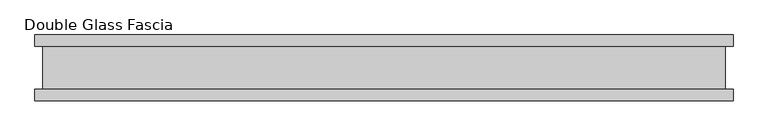
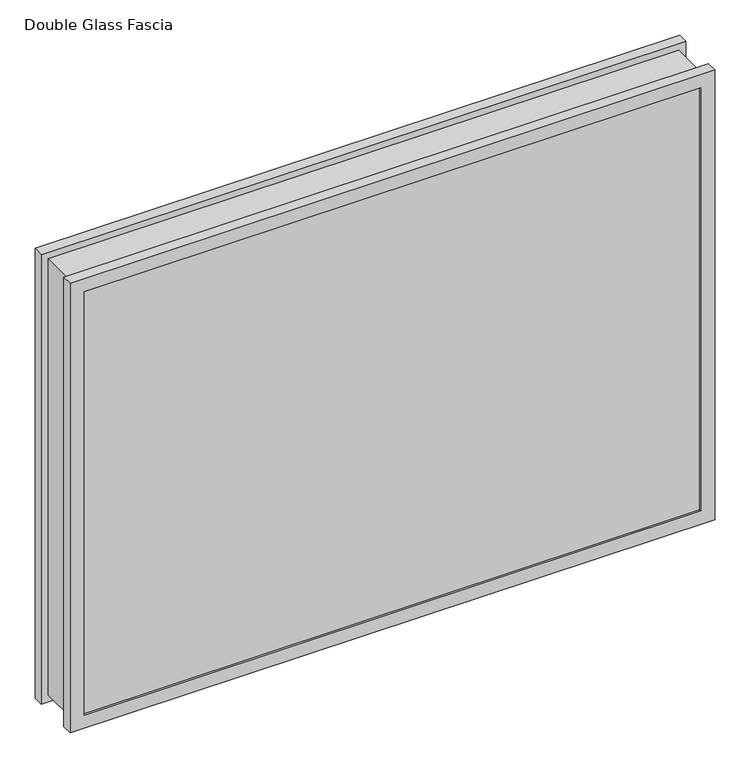
"""IFC4 building model written with IfcOpenShell, lengths in millimetres: proxy geometry, Double Glass Fascia."""

from ifc_helpers import new_model, si_unit, frame, origin, place, context, project, spatial, polyline, outline, extrude, faceted_brep, source, transform, mapped, element, save


def double_glass_fascia_04859f96(model_context):
    return source(origin(), model_context, "Body", "SolidModel", [
        faceted_brep([(519.6640848, -32.4352299, 775.5390849), (519.6640848, -32.4352299, 15.0359151), (519.6640848, 32.4352299, 15.0359151), (519.6640848, 32.4352299, 775.5390849), (-519.6640848, -32.4352299, 15.0359151), (-519.6640848, 32.4352299, 15.0359151), (-519.6640848, -32.4352299, 775.5390849), (-519.6640848, 32.4352299, 775.5390849), (508.4871999, 38.8962152, 764.3622), (508.4871999, 38.8962152, 26.2128), (508.4871999, -38.8962152, 26.2128), (508.4871999, -38.8962152, 764.3622), (525.2218392, 47.1322551, 781.0968392), (525.2218392, 47.1322551, 9.4781608), (525.2218392, 38.8962152, 9.4781608), (525.2218392, 38.8962152, 781.0968392), (508.3093999, 50.0558594, 764.1844), (508.3093999, 50.0558594, 26.3906), (508.3093999, 47.1322551, 26.3906), (508.3093999, 47.1322551, 764.1844), (531.5249999, 32.4352299, 787.4), (531.5249999, 32.4352299, 3.175), (531.5249999, 50.0558594, 3.175), (531.5249999, 50.0558594, 787.4), (-508.4871999, 38.8962152, 26.2128), (-508.4871999, -38.8962152, 26.2128), (-525.2218392, 47.1322551, 9.4781608), (-525.2218392, 38.8962152, 9.4781608), (-508.3093999, 50.0558594, 26.3906), (-508.3093999, 47.1322551, 26.3906), (-531.5249999, 32.4352299, 3.175), (-531.5249999, 50.0558594, 3.175), (-508.4871999, 38.8962152, 764.3622), (-508.4871999, -38.8962152, 764.3622), (-525.2218392, 47.1322551, 781.0968392), (-525.2218392, 38.8962152, 781.0968392), (-508.3093999, 50.0558594, 764.1844), (-508.3093999, 47.1322551, 764.1844), (-531.5249999, 32.4352299, 787.4), (-531.5249999, 50.0558594, 787.4), (531.5249999, -50.0558594, 787.4), (531.5249999, -50.0558594, 3.175), (531.5249999, -32.4352299, 3.175), (531.5249999, -32.4352299, 787.4), (508.4871999, -47.1322551, 764.3622), (508.4871999, -47.1322551, 26.2128), (508.4871999, -50.0558594, 26.2128), (508.4871999, -50.0558594, 764.3622), (525.2218392, -38.8962152, 781.0968392), (525.2218392, -38.8962152, 9.4781608), (525.2218392, -47.1322551, 9.4781608), (525.2218392, -47.1322551, 781.0968392), (-531.5249999, -50.0558594, 3.175), (-531.5249999, -32.4352299, 3.175), (-508.4871999, -47.1322551, 26.2128), (-508.4871999, -50.0558594, 26.2128), (-525.2218392, -38.8962152, 9.4781608), (-525.2218392, -47.1322551, 9.4781608), (-531.5249999, -50.0558594, 787.4), (-531.5249999, -32.4352299, 787.4), (-508.4871999, -47.1322551, 764.3622), (-508.4871999, -50.0558594, 764.3622), (-525.2218392, -38.8962152, 781.0968392), (-525.2218392, -47.1322551, 781.0968392)], [[[0, 1, 2, 3]], [[1, 4, 5, 2]], [[4, 6, 7, 5]], [[6, 0, 3, 7]], [[8, 9, 10, 11]], [[12, 13, 14, 15]], [[16, 17, 18, 19]], [[20, 21, 22, 23]], [[9, 24, 25, 10]], [[13, 26, 27, 14]], [[17, 28, 29, 18]], [[21, 30, 31, 22]], [[24, 32, 33, 25]], [[26, 34, 35, 27]], [[28, 36, 37, 29]], [[30, 38, 39, 31]], [[32, 8, 11, 33]], [[15, 14, 27, 35], [9, 8, 32, 24]], [[34, 12, 15, 35]], [[13, 12, 34, 26], [19, 18, 29, 37]], [[36, 16, 19, 37]], [[23, 22, 31, 39], [17, 16, 36, 28]], [[38, 20, 23, 39]], [[21, 20, 38, 30], [3, 2, 5, 7]], [[40, 41, 42, 43]], [[44, 45, 46, 47]], [[48, 49, 50, 51]], [[41, 52, 53, 42]], [[45, 54, 55, 46]], [[49, 56, 57, 50]], [[52, 58, 59, 53]], [[54, 60, 61, 55]], [[56, 62, 63, 57]], [[43, 42, 53, 59], [1, 0, 6, 4]], [[58, 40, 43, 59]], [[41, 40, 58, 52], [47, 46, 55, 61]], [[60, 44, 47, 61]], [[51, 50, 57, 63], [45, 44, 60, 54]], [[62, 48, 51, 63]], [[49, 48, 62, 56], [11, 10, 25, 33]]]),
        extrude(outline(polyline([(520.7, 40.9277344), (-520.7, 40.9277344), (-520.7, 46.8808594), (520.7, 46.8808594), (520.7, 40.9277344)])), frame((0.0, 0.0, 5.3275263), z_axis=(0.0, 0.0, 1.0), x_axis=(1.0, 0.0, 0.0)), (0.0, 0.0, 1.0), 779.425928),
        extrude(outline(polyline([(520.7, -41.1791301), (520.7, -47.1322551), (-520.7, -47.1322551), (-520.7, -41.1791301), (520.7, -41.1791301)])), frame((0.0, 0.0, 5.3275263), z_axis=(0.0, 0.0, 1.0), x_axis=(1.0, 0.0, 0.0)), (0.0, 0.0, 1.0), 779.425928),
    ])


if __name__ == "__main__":
    model = new_model("IFC4")
    model_context = context("Model", 3, world=origin())
    ifc_project = project(units=[si_unit("LENGTHUNIT", "METRE", prefix="MILLI")], contexts=[model_context])
    site = spatial("IfcSite", under=ifc_project)
    building = spatial("IfcBuilding", under=site)
    placement = place(None, origin())
    double_glass_fascia_shape = double_glass_fascia_04859f96(model_context)
    element("IfcBuildingElementProxy", 1, Name="Double Glass Fascia", ObjectType="Double Glass Fascia", at=placement, inside=building, context=model_context, shape_type="MappedRepresentation", body=[
        mapped(double_glass_fascia_shape, transform((0.0, 0.0, 0.0), x_axis=(1.0, 0.0, 0.0), y_axis=(0.0, 1.0, 0.0), z_axis=(0.0, 0.0, 1.0))),
    ])
    save(model, "model.ifc")
